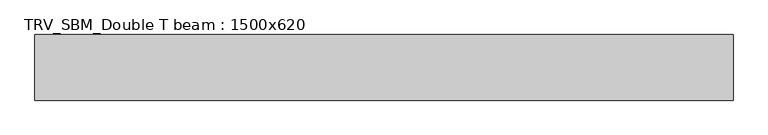
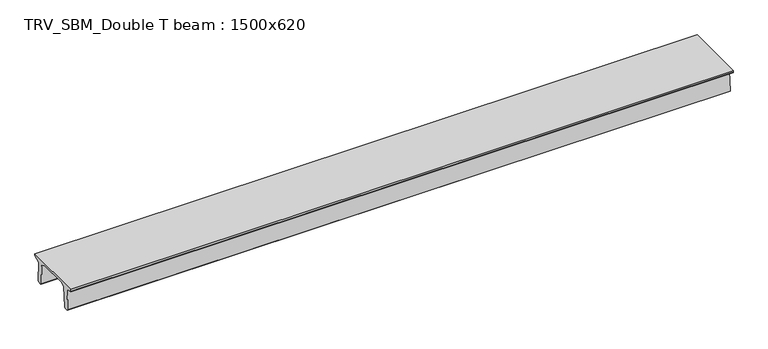
"""IFC4 building model written with IfcOpenShell, lengths in millimetres: beam geometry, TRV_SBM_Double T beam : 1500x620."""

from ifc_helpers import new_model, si_unit, frame, origin, place, context, project, spatial, polyline, outline, extrude, source, transform, mapped, element, save


def trv_sbm_double_t_beam_1500x620_f488c183(model_context):
    return source(origin(), model_context, "Body", "SweptSolid", [
        extrude(outline(polyline([(-765.0, 215.0), (-765.0, 260.0), (735.0, 260.0), (735.0, 215.0), (728.2094488, 201.315559), (578.0626443, 140.6523122), (594.8277662, -339.4379646), (574.2657308, -360.0), (484.2657308, -360.0), (464.786332, -340.5206011), (447.8600761, 144.18395), (338.3237744, 210.0), (-367.4555014, 210.0), (-476.5389732, 151.9992892), (-507.0080378, -339.3850967), (-527.622941, -360.0), (-615.122941, -360.0), (-637.1143055, -338.0086356), (-606.1572167, 162.687806), (-761.3068466, 204.260024), (-765.0, 215.0)])), frame((-7980.5, 0.0, 0.0), z_axis=(1.0, 0.0, 0.0), x_axis=(0.0, 1.0, 0.0)), (0.0, 0.0, 1.0), 15961.0),
    ])


if __name__ == "__main__":
    model = new_model("IFC4")
    model_context = context("Model", 3, world=origin())
    ifc_project = project(units=[si_unit("LENGTHUNIT", "METRE", prefix="MILLI")], contexts=[model_context])
    site = spatial("IfcSite", under=ifc_project)
    building = spatial("IfcBuilding", under=site)
    placement = place(None, origin())
    trv_sbm_double_t_beam_1500x620_shape = trv_sbm_double_t_beam_1500x620_f488c183(model_context)
    element("IfcBeam", 1, ObjectType="TRV_SBM_Double T beam : 1500x620", at=placement, inside=building, context=model_context, shape_type="MappedRepresentation", body=[
        mapped(trv_sbm_double_t_beam_1500x620_shape, transform((0.0, 0.0, 0.0), x_axis=(1.0, 0.0, 0.0), y_axis=(0.0, 1.0, 0.0), z_axis=(0.0, 0.0, 1.0))),
    ])
    save(model, "model.ifc")
